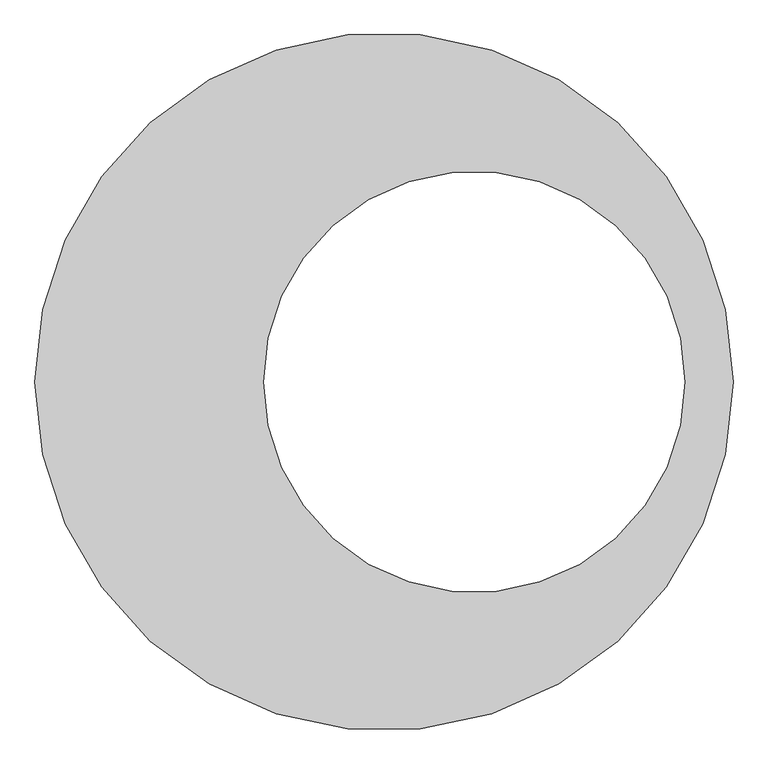
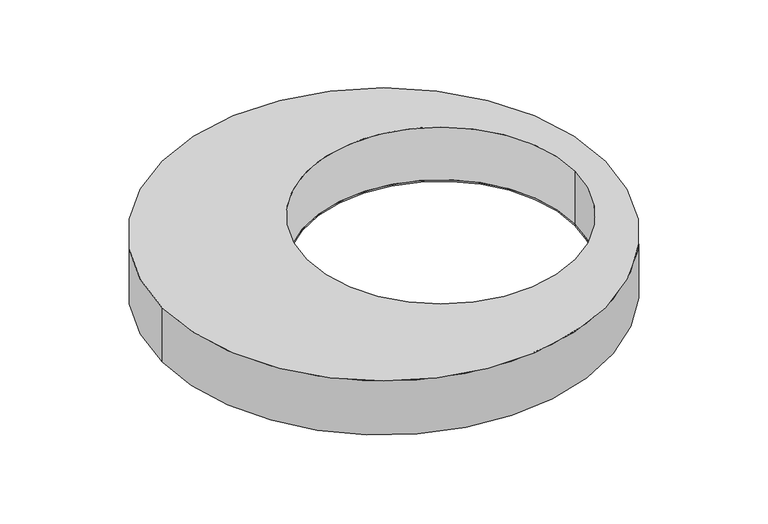
"""IFC4 building model written with IfcOpenShell, lengths in millimetres: proxy geometry."""

from ifc_helpers import new_model, si_unit, point, frame, frame_2d, origin, origin_with_axes, origin_2d, place, context, project, spatial, polyline, circle_curve, trimmed, segment, composite_curve, outline, extrude, source, transform, mapped, element, save
from ifc_brep_helpers import plane_surface, cylinder_surface, revolved_surface, advanced_brep


def generic_models_d1da5ed6(model_context):
    return source(origin(), model_context, "Body", "SolidModel", [
        extrude(outline(composite_curve([segment(trimmed(circle_curve(origin_2d(), 576.0), [point((-576.0, 0.0))], [point((576.0, 0.0))], False, "CARTESIAN"), True, "CONTINUOUS"), segment(trimmed(circle_curve(origin_2d(), 576.0), [point((576.0, 0.0))], [point((-576.0, 0.0))], False, "CARTESIAN"), True, "CONTINUOUS")], self_intersect=False), holes=[composite_curve([segment(trimmed(circle_curve(frame_2d((150.0, 0.0)), 350.0), [point((-200.0, 0.0))], [point((500.0, 0.0))], True, "CARTESIAN"), True, "CONTINUOUS"), segment(trimmed(circle_curve(frame_2d((150.0, 0.0)), 350.0), [point((500.0, 0.0))], [point((-200.0, 0.0))], True, "CARTESIAN"), True, "CONTINUOUS")], self_intersect=False)]), origin_with_axes(), (0.0, 0.0, 1.0), 4.0),
        advanced_brep(
        [(-580.0, 0.0, 150.0), (580.0, 0.0, 150.0), (-200.0, 0.0, 150.0), (500.0, 0.0, 150.0), (-580.0, 0.0, 0.0), (580.0, 0.0, 0.0), (-576.0, 0.0, 0.0), (576.0, 0.0, 0.0), (-200.0, 0.0, 4.0), (500.0, 0.0, 4.0), (-576.0, 0.0, 4.0), (576.0, 0.0, 4.0)],
        [
            (0, 1, circle_curve(frame((0.0, 0.0, 150.0), z_axis=(0.0, 0.0, 1.0), x_axis=(1.0, 0.0, 0.0)), 580.0)),
            (1, 0, circle_curve(frame((0.0, 0.0, 150.0), z_axis=(0.0, 0.0, 1.0), x_axis=(1.0, 0.0, 0.0)), 580.0)),
            (2, 3, circle_curve(frame((150.0, 0.0, 150.0), z_axis=(0.0, 0.0, -1.0), x_axis=(1.0, 0.0, 0.0)), 350.0)),
            (3, 2, circle_curve(frame((150.0, 0.0, 150.0), z_axis=(0.0, 0.0, -1.0), x_axis=(1.0, 0.0, 0.0)), 350.0)),
            (4, 5, circle_curve(frame((0.0, 0.0, 0.0), z_axis=(0.0, 0.0, -1.0), x_axis=(1.0, 0.0, 0.0)), 580.0)),
            (5, 4, circle_curve(frame((0.0, 0.0, 0.0), z_axis=(0.0, 0.0, -1.0), x_axis=(1.0, 0.0, 0.0)), 580.0)),
            (6, 7, circle_curve(origin_with_axes(), 576.0)),
            (7, 6, circle_curve(origin_with_axes(), 576.0)),
            (0, 4),
            (5, 1),
            (2, 8),
            (8, 9, circle_curve(frame((150.0, 0.0, 4.0), z_axis=(0.0, 0.0, -1.0), x_axis=(1.0, 0.0, 0.0)), 350.0)),
            (9, 3),
            (9, 8, circle_curve(frame((150.0, 0.0, 4.0), z_axis=(0.0, 0.0, -1.0), x_axis=(1.0, 0.0, 0.0)), 350.0)),
            (10, 11, circle_curve(frame((0.0, 0.0, 4.0), z_axis=(0.0, 0.0, -1.0), x_axis=(1.0, 0.0, 0.0)), 576.0)),
            (11, 10, circle_curve(frame((0.0, 0.0, 4.0), z_axis=(0.0, 0.0, -1.0), x_axis=(1.0, 0.0, 0.0)), 576.0)),
            (11, 7),
            (6, 10),
        ],
        [
            plane_surface(frame((580.0, 0.0, 150.0), z_axis=(0.0, 0.0, 1.0), x_axis=(0.0, 1.0, 0.0))),
            plane_surface(frame((580.0, 0.0, 0.0), z_axis=(0.0, 0.0, -1.0), x_axis=(0.0, -1.0, 0.0))),
            cylinder_surface(origin_with_axes(), 580.0),
            revolved_surface(polyline([(500.0, 0.0, 4.0), (500.0, 0.0, 150.0)]), (150.0, 0.0, 0.0), (0.0, 0.0, -1.0)),
            plane_surface(frame((576.0, 0.0, 4.0), z_axis=(0.0, 0.0, -1.0), x_axis=(0.0, 1.0, 0.0))),
            revolved_surface(polyline([(576.0, 0.0, 4.0), (576.0, 0.0, 0.0)]), (0.0, 0.0, 0.0), (0.0, 0.0, 1.0)),
        ],
        [
            (0, [[1, 2], [3, 4]]),
            (1, [[5, 6], [7, 8]]),
            (2, [[-1, 9, -6, 10]]),
            (2, [[-2, -10, -5, -9]]),
            (3, [[-3, 11, 12, 13]]),
            (3, [[-4, -13, 14, -11]]),
            (4, [[15, 16], [-12, -14]]),
            (5, [[-16, 17, -7, 18]]),
            (5, [[-15, -18, -8, -17]]),
        ],
    ),
    ])


if __name__ == "__main__":
    model = new_model("IFC4")
    model_context = context("Model", 3, world=origin())
    ifc_project = project(units=[si_unit("LENGTHUNIT", "METRE", prefix="MILLI")], contexts=[model_context])
    site = spatial("IfcSite", under=ifc_project)
    building = spatial("IfcBuilding", under=site)
    placement = place(None, origin())
    generic_models_shape = generic_models_d1da5ed6(model_context)
    element("IfcBuildingElementProxy", 1, Name="Generic Models", at=placement, inside=building, context=model_context, shape_type="MappedRepresentation", body=[
        mapped(generic_models_shape, transform((0.0, 0.0, 0.0), x_axis=(1.0, 0.0, 0.0), y_axis=(0.0, 1.0, 0.0), z_axis=(0.0, 0.0, 1.0))),
    ])
    save(model, "model.ifc")
